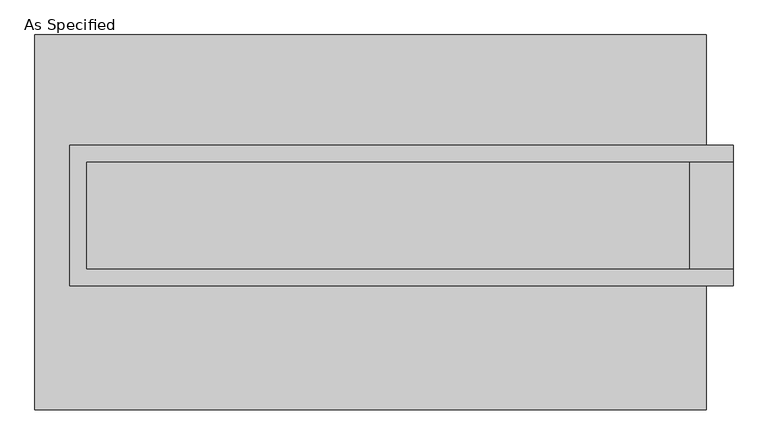
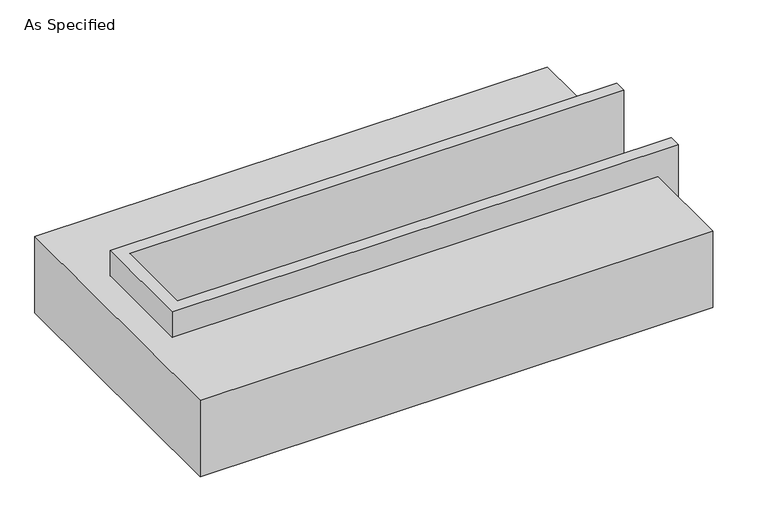
"""IFC4 building model written with IfcOpenShell, lengths in millimetres: proxy geometry, As Specified."""

from ifc_helpers import new_model, si_unit, origin, place, context, project, spatial, faceted_brep, source, transform, mapped, element, save


def as_specified_460547bf(model_context):
    return source(origin(), model_context, "Body", "Brep", [
        faceted_brep([(-1416.05, 361.95, 139.7), (-1416.05, 361.95, -393.7), (-1416.05, 285.75, -393.7), (-1416.05, 285.75, -25.4), (-1416.05, -222.25, -25.4), (-1416.05, -222.25, -393.7), (-1416.05, -298.45, -393.7), (-1416.05, -298.45, 139.7), (1708.15, 285.75, 139.7), (1708.15, 285.75, -317.5), (1708.15, -222.25, -317.5), (1708.15, -222.25, 139.7), (1708.15, -298.45, 139.7), (1708.15, -298.45, -393.7), (1708.15, 361.95, -393.7), (1708.15, 361.95, 139.7), (-1339.85, -222.25, 139.7), (-1339.85, 285.75, 139.7), (1504.95, -222.25, -393.7), (1504.95, 285.75, -393.7), (1504.95, -222.25, -317.5), (-1339.85, -222.25, -25.4), (1504.95, 285.75, -317.5), (-1339.85, 285.75, -25.4)], [[[0, 1, 2, 3, 4, 5, 6, 7]], [[8, 9, 10, 11, 12, 13, 14, 15]], [[0, 7, 12, 11, 16, 17, 8, 15]], [[1, 0, 15, 14]], [[14, 13, 6, 5, 18, 19, 2, 1]], [[7, 6, 13, 12]], [[11, 10, 20, 18, 5, 4, 21, 16]], [[10, 9, 22, 20]], [[9, 8, 17, 23, 3, 2, 19, 22]], [[18, 20, 22, 19]], [[23, 21, 4, 3]], [[17, 16, 21, 23]]]),
        faceted_brep([(-1581.15, 882.65, -523.9742188), (1581.15, 882.65, -523.9742188), (1581.15, -882.65, -523.9742188), (-1581.15, -882.65, -523.9742188), (1581.15, 882.65, -25.4), (-1581.15, 882.65, -25.4), (-1581.15, -882.65, -25.4), (1581.15, -882.65, -25.4), (1581.15, -298.45, -25.4), (-1416.05, -298.45, -25.4), (-1416.05, 361.95, -25.4), (1581.15, 361.95, -25.4), (1581.15, 361.95, -393.7), (1581.15, -298.45, -393.7), (-1416.05, -298.45, -393.7), (-1416.05, 361.95, -393.7)], [[[0, 1, 2, 3]], [[4, 5, 6, 7, 8, 9, 10, 11]], [[1, 0, 5, 4]], [[5, 0, 3, 6]], [[1, 4, 11, 12, 13, 8, 7, 2]], [[3, 2, 7, 6]], [[14, 15, 10, 9]], [[10, 15, 12, 11]], [[15, 14, 13, 12]], [[14, 9, 8, 13]]]),
    ])


if __name__ == "__main__":
    model = new_model("IFC4")
    model_context = context("Model", 3, world=origin())
    ifc_project = project(units=[si_unit("LENGTHUNIT", "METRE", prefix="MILLI")], contexts=[model_context])
    site = spatial("IfcSite", under=ifc_project)
    building = spatial("IfcBuilding", under=site)
    placement = place(None, origin())
    as_specified_shape = as_specified_460547bf(model_context)
    element("IfcBuildingElementProxy", 1, Name="As Specified", ObjectType="As Specified", at=placement, inside=building, context=model_context, shape_type="MappedRepresentation", body=[
        mapped(as_specified_shape, transform((0.0, 0.0, 0.0), x_axis=(1.0, 0.0, 0.0), y_axis=(0.0, 1.0, 0.0), z_axis=(0.0, 0.0, 1.0))),
    ])
    save(model, "model.ifc")
